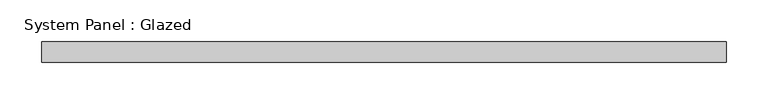
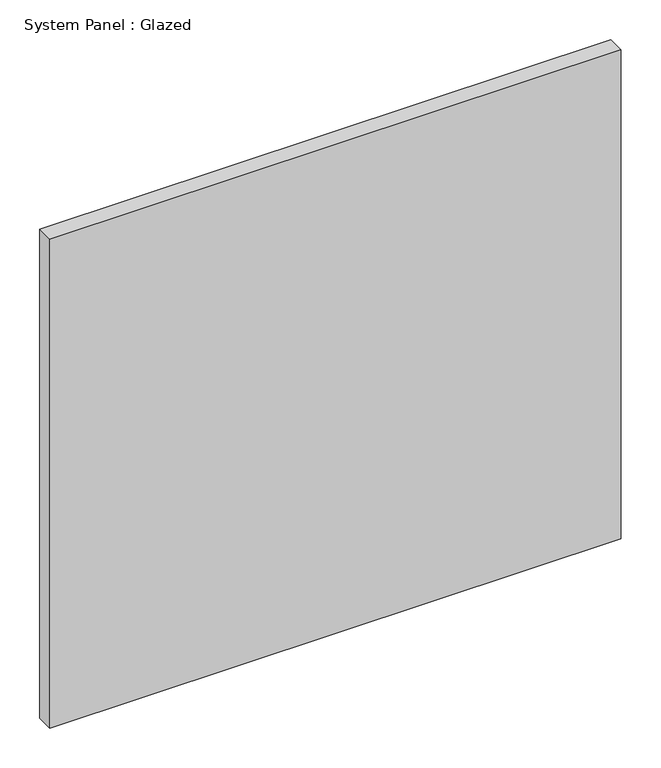
"""IFC4 building model written with IfcOpenShell, lengths in millimetres: plate geometry, System Panel : Glazed."""

from ifc_helpers import new_model, si_unit, origin, origin_with_axes, place, context, project, spatial, polyline, outline, extrude, source, transform, mapped, element, save


def system_panel_glazed_105f8b01(model_context):
    return source(origin(), model_context, "Body", "SweptSolid", [
        extrude(outline(polyline([(412.5, 24.5), (-412.5, 24.5), (-412.5, 49.5), (412.5, 49.5), (412.5, 24.5)])), origin_with_axes(), (0.0, 0.0, 1.0), 746.6666667),
    ])


if __name__ == "__main__":
    model = new_model("IFC4")
    model_context = context("Model", 3, world=origin())
    ifc_project = project(units=[si_unit("LENGTHUNIT", "METRE", prefix="MILLI")], contexts=[model_context])
    site = spatial("IfcSite", under=ifc_project)
    building = spatial("IfcBuilding", under=site)
    placement = place(None, origin())
    system_panel_glazed_shape = system_panel_glazed_105f8b01(model_context)
    element("IfcPlate", 1, ObjectType="System Panel : Glazed", at=placement, inside=building, context=model_context, shape_type="MappedRepresentation", body=[
        mapped(system_panel_glazed_shape, transform((0.0, 0.0, 0.0), x_axis=(1.0, 0.0, 0.0), y_axis=(0.0, 1.0, 0.0), z_axis=(0.0, 0.0, 1.0))),
    ])
    save(model, "model.ifc")
